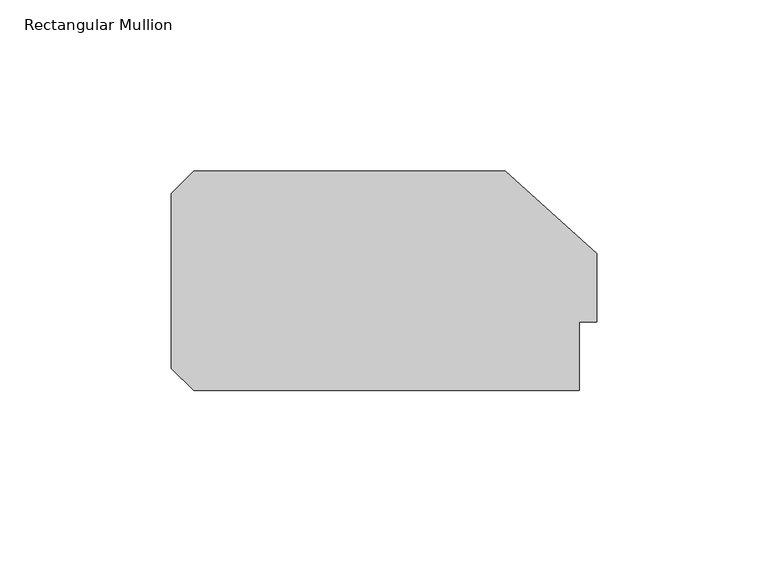
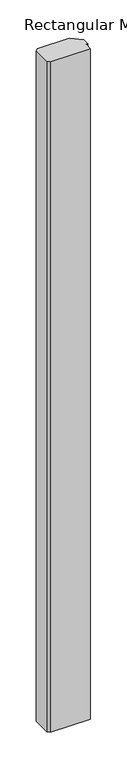
"""IFC4 building model written with IfcOpenShell, lengths in millimetres: member geometry, Rectangular Mullion."""

from ifc_helpers import new_model, si_unit, frame, origin, place, context, project, spatial, polyline, outline, extrude, source, transform, mapped, element, save


def rectangular_mullion_a8809c94(model_context):
    return source(origin(), model_context, "Body", "SweptSolid", [
        extrude(outline(polyline([(-5.0, 20.0), (-5.0, 0.0), (-117.5, 0.0), (-124.0, 6.5), (-124.0, 57.5), (-117.5, 64.0), (-26.6547004, 64.0), (0.0, 40.0), (0.0, 20.0), (-5.0, 20.0)])), frame((0.0, 0.0, -2000.0000001), z_axis=(0.0, 0.0, 1.0), x_axis=(1.0, 0.0, 0.0)), (0.0, 0.0, 1.0), 2000.0000001),
    ])


if __name__ == "__main__":
    model = new_model("IFC4")
    model_context = context("Model", 3, world=origin())
    ifc_project = project(units=[si_unit("LENGTHUNIT", "METRE", prefix="MILLI")], contexts=[model_context])
    site = spatial("IfcSite", under=ifc_project)
    building = spatial("IfcBuilding", under=site)
    placement = place(None, origin())
    rectangular_mullion_shape = rectangular_mullion_a8809c94(model_context)
    element("IfcMember", 1, ObjectType="Rectangular Mullion", at=placement, inside=building, context=model_context, shape_type="MappedRepresentation", body=[
        mapped(rectangular_mullion_shape, transform((0.0, 0.0, 0.0), x_axis=(1.0, 0.0, 0.0), y_axis=(0.0, 1.0, 0.0), z_axis=(0.0, 0.0, 1.0))),
    ])
    save(model, "model.ifc")
